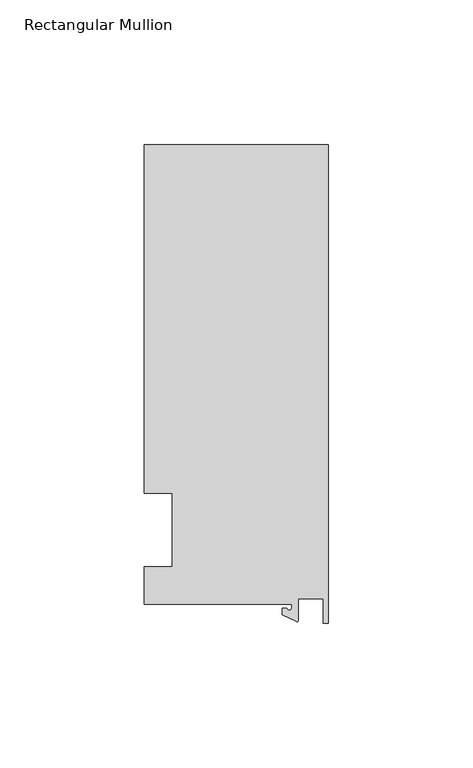
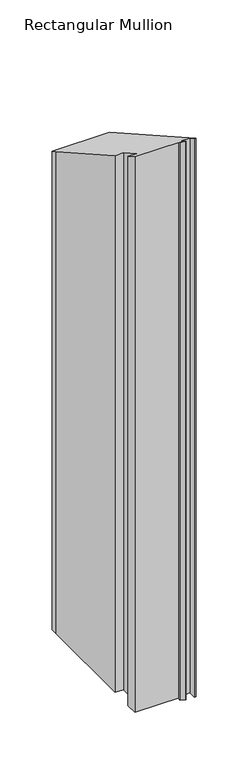
"""IFC4 building model written with IfcOpenShell, lengths in millimetres: member geometry, Rectangular Mullion."""

from ifc_helpers import new_model, si_unit, frame, origin, place, context, project, spatial, polyline, circle_curve, ellipse_curve, source, transform, mapped, element, save
from ifc_brep_helpers import plane_surface, cylinder_surface, revolved_surface, advanced_brep


def rectangular_mullion_b898dfd8(model_context):
    return source(origin(), model_context, "Body", "AdvancedBrep", [
        advanced_brep(
        [(-12.6173814, -25.796875, -635.0), (-63.5, -25.796875, -635.0), (-63.5, -12.7, -635.0), (-53.975, -12.7, -635.0), (-53.975, 12.7, -635.0), (-63.5, 12.7, -635.0), (-63.5, 125.8114907, -635.0), (-63.5, 133.34365, -635.0), (0.0, 133.34365, -635.0), (0.0, -32.288874, -635.0), (-1.5658966, -32.288874, -635.0), (-1.7144124, -23.9227662, -635.0), (-10.2297814, -23.9227662, -635.0), (-10.2297814, -31.2414327, -635.0), (-10.9524715, -31.7018371, -635.0), (-15.7923814, -29.44495, -635.0), (-15.7923814, -27.0827507, -635.0), (-14.2048814, -27.0827507, -635.0), (-12.6173814, -27.0827507, -635.0), (-12.6173814, -27.0827507, 15.3226831), (-12.6173814, -25.796875, 14.5951696), (-14.2048814, -27.0827507, 15.3226831), (-15.7923814, -27.0827507, 15.3226831), (-15.7923814, -29.44495, 16.6591512), (-10.9524715, -31.7018371, 17.9360364), (-10.2297814, -31.2414327, 17.6755522), (-10.2297814, -23.9227662, 13.5348499), (-1.7144124, -23.9227662, 13.5348499), (-1.5658966, -32.288874, 18.2681659), (0.0, -32.288874, 18.2681659), (0.0, 133.34365, -75.4422073), (-63.5, 133.34365, -75.4422073), (-63.5, 12.7, -7.1853143), (-63.5, 125.8114907, -71.1807166), (-53.975, 12.7, -7.1853143), (-53.975, -12.7, 7.1853143), (-63.5, -12.7, 7.1853143), (-63.5, -25.796875, 14.5951696)],
        [
            (0, 1),
            (1, 2),
            (2, 3),
            (3, 4),
            (4, 5),
            (5, 6),
            (6, 7),
            (7, 8),
            (8, 9),
            (9, 10),
            (10, 11),
            (11, 12),
            (12, 13),
            (13, 14, circle_curve(frame((-10.7377814, -31.2414327, -635.0), z_axis=(0.0, 0.0, -1.0), x_axis=(-1.0, 0.0, 0.0)), 0.508)),
            (14, 15),
            (15, 16),
            (16, 17),
            (17, 18, circle_curve(frame((-13.4111314, -27.0827507, -635.0), z_axis=(0.0, 0.0, 1.0), x_axis=(-1.0, 0.0, 0.0)), 0.79375)),
            (18, 0),
            (19, 20),
            (20, 0),
            (18, 19),
            (21, 19, ellipse_curve(frame((-13.4111314, -27.0827507, 15.3226831), z_axis=(0.0, 0.4924235601034684, 0.8703556959398989), x_axis=(0.0, 0.8703556959398989, -0.49242356010346844)), 0.9119835, 0.79375)),
            (17, 21),
            (22, 21),
            (16, 22),
            (23, 22),
            (15, 23),
            (24, 23),
            (14, 24),
            (25, 24, ellipse_curve(frame((-10.7377814, -31.2414327, 17.6755522), z_axis=(0.0, -0.4924235601034684, -0.8703556959398989), x_axis=(0.0, -0.8703556959398989, 0.49242356010346844)), 0.5836694, 0.508)),
            (13, 25),
            (26, 25),
            (12, 26),
            (27, 26),
            (11, 27),
            (28, 27),
            (10, 28),
            (29, 28),
            (9, 29),
            (30, 29),
            (8, 30),
            (31, 30),
            (7, 31),
            (32, 33),
            (33, 6),
            (5, 32),
            (34, 32),
            (4, 34),
            (35, 34),
            (3, 35),
            (36, 35),
            (2, 36),
            (37, 36),
            (1, 37),
            (20, 37),
            (31, 33),
        ],
        [
            plane_surface(frame((0.0, -147.6914994, -635.0), z_axis=(0.0, 0.0, -1.0), x_axis=(-1.0, 0.0, 0.0))),
            plane_surface(frame((-12.6173814, -25.796875, 0.0), z_axis=(-1.0, 0.0, 0.0), x_axis=(0.0, 0.0, -1.0))),
            revolved_surface(polyline([(-14.2048814, -27.0827507, -635.0), (-14.2048814, -27.0827507, 15.771765261825623)]), (-13.4111314, -27.0827507, 0.0), (0.0, 0.0, -1.0)),
            plane_surface(frame((-14.2048814, -27.0827507, 0.0), z_axis=(0.0, 1.0, 0.0), x_axis=(0.0, 0.0, -1.0))),
            plane_surface(frame((-15.7923814, -27.0827507, 0.0), z_axis=(-1.0, 0.0, 0.0), x_axis=(0.0, 0.0, -1.0))),
            plane_surface(frame((-15.7923814, -29.44495, 0.0), z_axis=(-0.4226182617406985, -0.9063077870366505, 0.0), x_axis=(0.0, 0.0, -1.0))),
            cylinder_surface(frame((-10.7377814, -31.2414327, 0.0), z_axis=(0.0, 0.0, 1.0), x_axis=(-1.0, 0.0, 0.0)), 0.508),
            plane_surface(frame((-10.2297814, -31.2414327, 0.0), z_axis=(1.0, 0.0, 0.0), x_axis=(0.0, 0.0, -1.0))),
            plane_surface(frame((-10.2297814, -23.9227662, 0.0), z_axis=(0.0, -1.0, 0.0), x_axis=(0.0, 0.0, -1.0))),
            plane_surface(frame((-1.7144124, -23.9227662, 0.0), z_axis=(-0.9998424690407919, -0.017749284560600327, 0.0), x_axis=(0.0, 0.0, -1.0))),
            plane_surface(frame((-1.5658966, -32.288874, 0.0), z_axis=(0.0, -1.0, 0.0), x_axis=(0.0, 0.0, -1.0))),
            plane_surface(frame((0.0, -32.288874, 0.0), z_axis=(1.0, 0.0, 0.0), x_axis=(0.0, 0.0, -1.0))),
            plane_surface(frame((0.0, 133.34365, 0.0), z_axis=(0.0, 1.0, 0.0), x_axis=(0.0, 0.0, -1.0))),
            plane_surface(frame((-63.5, 125.8114907, 0.0), z_axis=(-1.0, 0.0, 0.0), x_axis=(0.0, 0.0, -1.0))),
            plane_surface(frame((-63.5, 12.7, 0.0), z_axis=(0.0, -1.0, 0.0), x_axis=(0.0, 0.0, -1.0))),
            plane_surface(frame((-53.975, 12.7, 0.0), z_axis=(-1.0, 0.0, 0.0), x_axis=(0.0, 0.0, -1.0))),
            plane_surface(frame((-53.975, -12.7, 0.0), z_axis=(0.0, 1.0, 0.0), x_axis=(0.0, 0.0, -1.0))),
            plane_surface(frame((-63.5, -12.7, 0.0), z_axis=(-1.0, 0.0, 0.0), x_axis=(0.0, 0.0, -1.0))),
            plane_surface(frame((-63.5, -25.796875, 0.0), z_axis=(0.0, -1.0, 0.0), x_axis=(0.0, 0.0, -1.0))),
            plane_surface(frame((-304.8, 0.0, 0.0), z_axis=(0.0, 0.4924235601034684, 0.8703556959398989), x_axis=(0.0, 0.8703556959398989, -0.4924235601034684))),
            plane_surface(frame((-63.5, 133.34365, 0.0), z_axis=(-1.0, 0.0, 0.0), x_axis=(0.0, 0.0, -1.0))),
        ],
        [
            (0, [[1, 2, 3, 4, 5, 6, 7, 8, 9, 10, 11, 12, 13, 14, 15, 16, 17, 18, 19]]),
            (1, [[20, 21, -19, 22]]),
            (2, [[23, -22, -18, 24]]),
            (3, [[25, -24, -17, 26]]),
            (4, [[27, -26, -16, 28]]),
            (5, [[29, -28, -15, 30]]),
            (6, [[31, -30, -14, 32]]),
            (7, [[33, -32, -13, 34]]),
            (8, [[35, -34, -12, 36]]),
            (9, [[37, -36, -11, 38]]),
            (10, [[39, -38, -10, 40]]),
            (11, [[41, -40, -9, 42]]),
            (12, [[43, -42, -8, 44]]),
            (13, [[45, 46, -6, 47]]),
            (14, [[48, -47, -5, 49]]),
            (15, [[50, -49, -4, 51]]),
            (16, [[52, -51, -3, 53]]),
            (17, [[54, -53, -2, 55]]),
            (18, [[56, -55, -1, -21]]),
            (19, [[-20, -23, -25, -27, -29, -31, -33, -35, -37, -39, -41, -43, 57, -45, -48, -50, -52, -54, -56]]),
            (20, [[-57, -44, -7, -46]]),
        ],
    ),
    ])


if __name__ == "__main__":
    model = new_model("IFC4")
    model_context = context("Model", 3, world=origin())
    ifc_project = project(units=[si_unit("LENGTHUNIT", "METRE", prefix="MILLI")], contexts=[model_context])
    site = spatial("IfcSite", under=ifc_project)
    building = spatial("IfcBuilding", under=site)
    placement = place(None, origin())
    rectangular_mullion_shape = rectangular_mullion_b898dfd8(model_context)
    element("IfcMember", 1, ObjectType="Rectangular Mullion", at=placement, inside=building, context=model_context, shape_type="MappedRepresentation", body=[
        mapped(rectangular_mullion_shape, transform((0.0, 0.0, 0.0), x_axis=(1.0, 0.0, 0.0), y_axis=(0.0, 1.0, 0.0), z_axis=(0.0, 0.0, 1.0))),
    ])
    save(model, "model.ifc")
